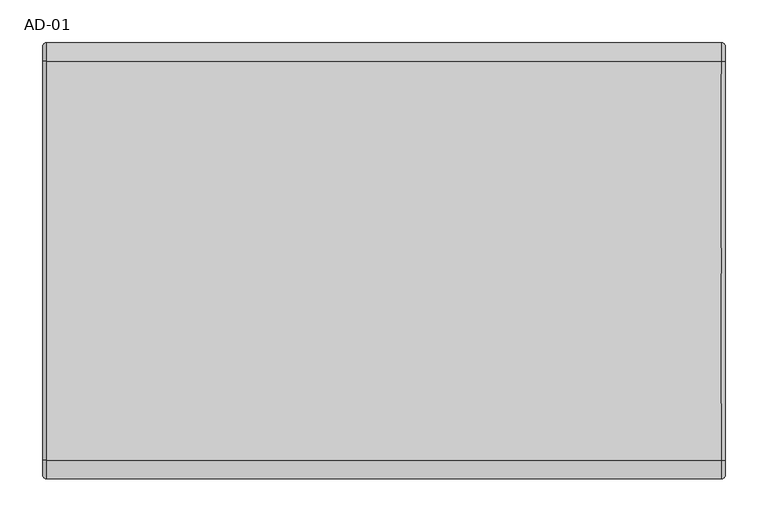
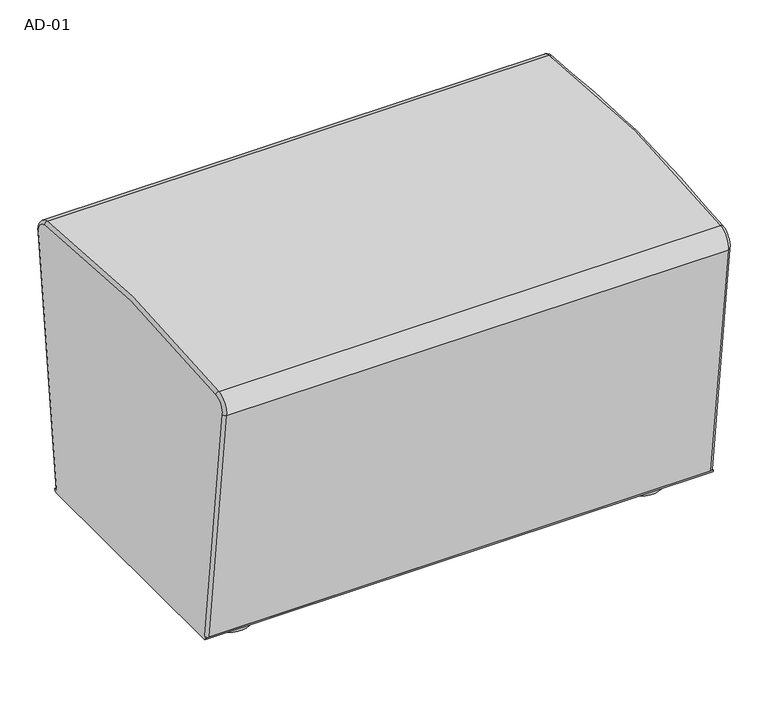
"""IFC4 building model written with IfcOpenShell, lengths in millimetres: furniture geometry, AD-01."""

from ifc_helpers import new_model, si_unit, point, frame, frame_2d, origin, origin_with_axes, place, context, project, spatial, circle_curve, ellipse_curve, trimmed, segment, composite_curve, outline, extrude, source, transform, mapped, element, save
from ifc_brep_helpers import plane_surface, cylinder_surface, revolved_surface, advanced_brep


def ad_01_1c7a543b(model_context):
    return source(origin(), model_context, "Body", "SolidModel", [
        advanced_brep(
        [(-400.0, 206.3750828, 34.3906528), (-400.0, 201.412352, 29.9999993), (-400.0, -200.5276094, 29.9999993), (-400.0, -206.4828863, 35.2687832), (-400.0, -201.5201556, 35.87813), (-400.0, -250.4781915, 434.6093051), (-400.0, -233.3810316, 456.8562047), (-400.0, 233.3810317, 456.8562047), (-400.0, 250.4781882, 434.6093065), (-400.0, 201.412352, 34.9999993), (400.0, -206.4828863, 35.2687832), (400.0, -200.5276094, 29.9999993), (400.0, 201.412352, 29.9999993), (400.0, 206.3750828, 34.3906528), (400.0, 201.412352, 34.9999993), (400.0, 250.4781882, 434.6093065), (400.0, 233.3810317, 456.8562047), (400.0, -233.3810318, 456.8562058), (400.0, -250.4781881, 434.6093055), (400.0, -201.5201556, 35.87813), (-395.0, 206.3750828, 34.3906528), (-395.0, 255.440919, 433.99996), (395.0, 255.440919, 433.99996), (395.0, 206.3750828, 34.3906528), (-395.0, 234.0694734, 461.8085827), (395.0, 234.0694734, 461.8085827), (-395.0, -234.0694734, 461.8085838), (395.0, -234.0694734, 461.8085838), (-395.0, -255.4409188, 433.9999588), (395.0, -255.4409188, 433.9999588), (-395.0, -206.4828863, 35.2687832), (395.0, -206.4828863, 35.2687832)],
        [
            (0, 1, circle_curve(frame((-400.0, 201.412352, 34.9999993), z_axis=(-1.0, 0.0, 0.0), x_axis=(0.0, -1.0, 0.0)), 5.0)),
            (1, 2),
            (2, 3, circle_curve(frame((-400.0, -200.5276094, 35.9999993), z_axis=(-1.0, 0.0, 0.0), x_axis=(0.0, -1.0, 0.0)), 6.0)),
            (3, 4),
            (4, 5),
            (5, 6, circle_curve(frame((-400.0, -230.6272651, 437.0466926), z_axis=(-1.0, 0.0, 0.0), x_axis=(0.0, -0.992546150542699, -0.12186935235271382)), 20.0)),
            (6, 7, circle_curve(frame((-400.0, -4.1e-06, -1221.9949917), z_axis=(-1.0, 0.0, 0.0), x_axis=(0.0, -0.13768832817489843, 0.9904756050930288)), 1694.9949992)),
            (7, 8, circle_curve(frame((-400.0, 230.6272651, 437.0466926), z_axis=(-1.0, 0.0, 0.0), x_axis=(0.0, 0.13768833294240157, 0.990475604430287)), 20.0)),
            (8, 9),
            (9, 0),
            (10, 11, circle_curve(frame((400.0, -200.5276094, 35.9999993), z_axis=(1.0, 0.0, 0.0), x_axis=(0.0, -1.0, 0.0)), 6.0)),
            (11, 12),
            (12, 13, circle_curve(frame((400.0, 201.412352, 34.9999993), z_axis=(1.0, 0.0, 0.0), x_axis=(0.0, -1.0, 0.0)), 5.0)),
            (13, 14),
            (14, 15),
            (15, 16, circle_curve(frame((400.0, 230.6272651, 437.0466926), z_axis=(1.0, 0.0, 0.0), x_axis=(0.0, 0.9925461567869625, -0.1218693014972616)), 20.0)),
            (16, 17, circle_curve(frame((400.0, -4.1e-06, -1221.9949917), z_axis=(1.0, 0.0, 0.0), x_axis=(0.0, 0.13768833294193644, 0.9904756044303517)), 1694.9949992)),
            (17, 18, circle_curve(frame((400.0, -230.6272651, 437.0466926), z_axis=(1.0, 0.0, 0.0), x_axis=(0.0, -0.1376883281748983, 0.9904756050930288)), 20.0)),
            (18, 19),
            (19, 10),
            (20, 21),
            (21, 22),
            (22, 23),
            (23, 20),
            (21, 24, circle_curve(frame((-395.0, 230.6272651, 437.0466926), z_axis=(1.0, 0.0, 0.0), x_axis=(0.0, -1.0, 0.0)), 25.0)),
            (24, 25),
            (25, 22, circle_curve(frame((395.0, 230.6272651, 437.0466926), z_axis=(-1.0, 0.0, 0.0), x_axis=(0.0, -1.0, 0.0)), 25.0)),
            (24, 26, circle_curve(frame((-395.0, -4.1e-06, -1221.9949917), z_axis=(1.0, 0.0, 0.0), x_axis=(0.0, -1.0, 0.0)), 1699.9949992)),
            (26, 27),
            (27, 25, circle_curve(frame((395.0, -4.1e-06, -1221.9949917), z_axis=(-1.0, 0.0, 0.0), x_axis=(0.0, -1.0, 0.0)), 1699.9949992)),
            (26, 28, circle_curve(frame((-395.0, -230.6272651, 437.0466926), z_axis=(1.0, 0.0, 0.0), x_axis=(0.0, 1.0, 0.0)), 25.0)),
            (28, 29),
            (29, 27, circle_curve(frame((395.0, -230.6272651, 437.0466926), z_axis=(-1.0, 0.0, 0.0), x_axis=(0.0, 1.0, 0.0)), 25.0)),
            (28, 30),
            (30, 31),
            (31, 29),
            (2, 11),
            (10, 31),
            (30, 3),
            (1, 12),
            (0, 20),
            (23, 13),
            (28, 5, circle_curve(frame((-395.0, -250.4781915, 434.6093051), z_axis=(0.0, 0.12186935235272628, -0.9925461505426976), x_axis=(0.0, -0.9925461505426976, -0.12186935235272628)), 5.0)),
            (4, 30, circle_curve(frame((-395.0, -201.5201556, 35.87813), z_axis=(0.0, -0.12186935235272628, 0.9925461505426976), x_axis=(0.0, -0.9925461505426976, -0.12186935235272628)), 5.0)),
            (26, 6, circle_curve(frame((-395.0, -233.3810316, 456.8562047), z_axis=(0.0, -0.9904756050930288, -0.13768832817489862), x_axis=(0.0, -0.13768832817489862, 0.9904756050930288)), 5.0)),
            (24, 7, circle_curve(frame((-395.0, 233.3810317, 456.8562047), z_axis=(0.0, -0.9904756044303525, 0.13768833294193053), x_axis=(0.0, 0.13768833294193053, 0.9904756044303525)), 5.0)),
            (21, 8, circle_curve(frame((-395.0, 250.4781882, 434.6093065), z_axis=(0.0, 0.12186930149726008, 0.9925461567869628), x_axis=(0.0, 0.9925461567869628, -0.12186930149726008)), 5.0)),
            (20, 9, circle_curve(frame((-395.0, 201.412352, 34.9999993), z_axis=(0.0, 0.1218693014972678, 0.9925461567869619), x_axis=(0.0, 0.9925461567869619, -0.1218693014972678)), 5.0)),
            (23, 14, circle_curve(frame((395.0, 201.412352, 34.9999993), z_axis=(0.0, -0.1218693014972677, -0.9925461567869618), x_axis=(1.0, 0.0, 0.0)), 5.0)),
            (22, 15, circle_curve(frame((395.0, 250.4781882, 434.6093065), z_axis=(0.0, -0.1218693014972677, -0.9925461567869618), x_axis=(1.0, 0.0, 0.0)), 5.0)),
            (25, 16, circle_curve(frame((395.0, 233.3810317, 456.8562047), z_axis=(0.0, 0.9904756044302307, -0.1376883329428058), x_axis=(1.0, 0.0, 0.0)), 5.0)),
            (27, 17, circle_curve(frame((395.0, -233.3810318, 456.8562058), z_axis=(0.0, 0.9904756050930288, 0.13768832817489843), x_axis=(1.0, 0.0, 0.0)), 5.0)),
            (29, 18, circle_curve(frame((395.0, -250.4781881, 434.6093055), z_axis=(0.0, -0.12186935235272664, 0.9925461505426973), x_axis=(1.0, 0.0, 0.0)), 5.0)),
            (19, 31, circle_curve(frame((395.0, -201.5201556, 35.87813), z_axis=(0.0, 0.12186935235272629, -0.9925461505426976), x_axis=(1.0, 0.0, 0.0)), 5.0)),
        ],
        [
            plane_surface(frame((-400.0, 255.440925, 434.0000094), z_axis=(-1.0, 0.0, 0.0), x_axis=(0.0, -0.12186930149726774, -0.9925461567869618))),
            plane_surface(frame((400.0, 255.440925, 434.0000094), z_axis=(1.0, 0.0, 0.0), x_axis=(0.0, 0.12186930149726774, 0.9925461567869618))),
            plane_surface(frame((400.0, 206.3750828, 34.3906528), z_axis=(0.0, 0.9925461567869618, -0.12186930149726774), x_axis=(-1.0, 0.0, 0.0))),
            cylinder_surface(frame((-400.0, 230.6272651, 437.0466926), z_axis=(1.0, 0.0, 0.0), x_axis=(0.0, -1.0, 0.0)), 25.0),
            cylinder_surface(frame((-400.0, -4.1e-06, -1221.9949917), z_axis=(1.0, 0.0, 0.0), x_axis=(0.0, -1.0, 0.0)), 1699.9949992),
            cylinder_surface(frame((-400.0, -230.6272651, 437.0466926), z_axis=(1.0, 0.0, 0.0), x_axis=(0.0, 1.0, 0.0)), 25.0),
            plane_surface(frame((400.0, -255.4409223, 433.9999583), z_axis=(0.0, -0.9925461505426975, -0.12186935235272627), x_axis=(-1.0, 0.0, 0.0))),
            cylinder_surface(frame((-400.0, -200.5276094, 35.9999993), z_axis=(1.0, 0.0, 0.0), x_axis=(0.0, -1.0, 0.0)), 6.0),
            plane_surface(frame((400.0, -200.5276094, 29.9999993), z_axis=(0.0, 0.0, -1.0), x_axis=(-1.0, 0.0, 0.0))),
            cylinder_surface(frame((-400.0, 201.412352, 34.9999993), z_axis=(1.0, 0.0, 0.0), x_axis=(0.0, -1.0, 0.0)), 5.0),
            cylinder_surface(frame((-395.0, -201.5201556, 35.87813), z_axis=(0.0, -0.12186935235272628, 0.9925461505426976), x_axis=(0.0, -0.9925461505426976, -0.12186935235272628)), 5.0),
            revolved_surface(trimmed(ellipse_curve(frame((-395.0, -250.4781881, 434.6093055), z_axis=(0.0, 0.1218693523527139, -0.992546150542699), x_axis=(0.0, -0.992546150542699, -0.1218693523527139)), 5.0, 5.0), [point((-395.0, -255.4409188, 433.9999588))], [point((-400.0, -250.4781881, 434.6093055))], True, "CARTESIAN"), (-400.0, -230.6272651, 437.0466926), (-1.0, 0.0, 0.0)),
            revolved_surface(trimmed(ellipse_curve(frame((-395.0, -233.3810318, 456.8562058), z_axis=(0.0, -0.9904756050930288, -0.13768832817489846), x_axis=(0.0, -0.13768832817489846, 0.9904756050930288)), 5.0, 5.0), [point((-395.0, -234.0694734, 461.8085838))], [point((-400.0, -233.3810318, 456.8562058))], True, "CARTESIAN"), (-400.0, -4.1e-06, -1221.9949917), (-1.0, 0.0, 0.0)),
            revolved_surface(trimmed(ellipse_curve(frame((-395.0, 233.3810317, 456.8562047), z_axis=(0.0, -0.990475604430287, 0.1376883329424016), x_axis=(0.0, 0.1376883329424016, 0.990475604430287)), 5.0, 5.0), [point((-395.0, 234.0694734, 461.8085827))], [point((-400.0, 233.3810317, 456.8562047))], True, "CARTESIAN"), (-400.0, 230.6272651, 437.0466926), (-1.0, 0.0, 0.0)),
            cylinder_surface(frame((-395.0, 250.4781882, 434.6093065), z_axis=(0.0, -0.1218693014972678, -0.9925461567869619), x_axis=(0.0, 0.9925461567869619, -0.1218693014972678)), 5.0),
            plane_surface(frame((-400.0, 206.3750828, 34.3906528), z_axis=(0.0, 0.12186930149726774, 0.9925461567869618), x_axis=(-1.0, 0.0, 0.0))),
            plane_surface(frame((-400.0, -206.4828863, 35.2687832), z_axis=(0.0, -0.12186935235272622, 0.9925461505426975), x_axis=(-1.0, 0.0, 0.0))),
            plane_surface(frame((400.0, 206.3750828, 34.3906528), z_axis=(0.0, 0.12186930149726775, 0.9925461567869618), x_axis=(1.0, 0.0, 0.0))),
            cylinder_surface(frame((395.0, 201.412352, 34.9999993), z_axis=(0.0, 0.1218693014972677, 0.9925461567869618), x_axis=(1.0, 0.0, 0.0)), 5.0),
            revolved_surface(trimmed(ellipse_curve(frame((395.0, 250.4781882, 434.6093065), z_axis=(0.0, -0.12186930149726156, -0.9925461567869625), x_axis=(1.0, 0.0, 0.0)), 5.0, 5.0), [point((395.0, 255.440919, 433.99996))], [point((400.0, 250.4781882, 434.6093065))], True, "CARTESIAN"), (400.0, 230.6272651, 437.0466926), (1.0, 0.0, 0.0)),
            revolved_surface(trimmed(ellipse_curve(frame((395.0, 233.3810317, 456.8562047), z_axis=(0.0, 0.9904756044303517, -0.13768833294193636), x_axis=(1.0, 0.0, 0.0)), 5.0, 5.0), [point((395.0, 234.0694734, 461.8085827))], [point((400.0, 233.3810317, 456.8562047))], True, "CARTESIAN"), (400.0, -4.1e-06, -1221.9949917), (1.0, 0.0, 0.0)),
            revolved_surface(trimmed(ellipse_curve(frame((395.0, -233.3810316, 456.8562047), z_axis=(0.0, 0.9904756050930288, 0.13768832817489834), x_axis=(1.0, 0.0, 0.0)), 5.0, 5.0), [point((395.0, -234.0694733, 461.8085827))], [point((400.0, -233.3810316, 456.8562047))], True, "CARTESIAN"), (400.0, -230.6272651, 437.0466926), (1.0, 0.0, 0.0)),
            plane_surface(frame((400.0, -206.4828863, 35.2687832), z_axis=(0.0, -0.1218693523527262, 0.9925461505426975), x_axis=(1.0, 0.0, 0.0))),
            cylinder_surface(frame((395.0, -250.4781915, 434.6093051), z_axis=(0.0, 0.12186935235272629, -0.9925461505426976), x_axis=(1.0, 0.0, 0.0)), 5.0),
        ],
        [
            (0, [[1, 2, 3, 4, 5, 6, 7, 8, 9, 10]]),
            (1, [[11, 12, 13, 14, 15, 16, 17, 18, 19, 20]]),
            (2, [[21, 22, 23, 24]]),
            (3, [[25, 26, 27, -22]]),
            (4, [[28, 29, 30, -26]]),
            (5, [[31, 32, 33, -29]]),
            (6, [[34, 35, 36, -32]]),
            (7, [[-3, 37, -11, 38, -35, 39]]),
            (8, [[-2, 40, -12, -37]]),
            (9, [[-1, 41, -24, 42, -13, -40]]),
            (10, [[43, -5, 44, -34]]),
            (11, [[-43, -31, 45, -6]]),
            (12, [[-45, -28, 46, -7]]),
            (13, [[-46, -25, 47, -8]]),
            (14, [[-47, -21, 48, -9]]),
            (15, [[-48, -41, -10]]),
            (16, [[-44, -4, -39]]),
            (17, [[49, -14, -42]]),
            (18, [[-49, -23, 50, -15]]),
            (19, [[-50, -27, 51, -16]]),
            (20, [[-51, -30, 52, -17]]),
            (21, [[-52, -33, 53, -18]]),
            (22, [[54, -38, -20]]),
            (23, [[-53, -36, -54, -19]]),
        ],
    ),
        extrude(outline(composite_curve([segment(trimmed(circle_curve(frame_2d((-324.9999949, 135.8359372)), 35.0), [point((-359.9999949, 135.8359372))], [point((-289.9999949, 135.8359372))], False, "CARTESIAN"), True, "CONTINUOUS"), segment(trimmed(circle_curve(frame_2d((-324.9999949, 135.8359372)), 35.0), [point((-289.9999949, 135.8359372))], [point((-359.9999949, 135.8359372))], False, "CARTESIAN"), True, "CONTINUOUS")], self_intersect=False)), origin_with_axes(), (0.0, 0.0, 1.0), 29.9999993),
        extrude(outline(composite_curve([segment(trimmed(circle_curve(frame_2d((324.9999949, 135.8359372)), 35.0), [point((359.9999949, 135.8359372))], [point((289.9999949, 135.8359372))], False, "CARTESIAN"), True, "CONTINUOUS"), segment(trimmed(circle_curve(frame_2d((324.9999949, 135.8359372)), 35.0), [point((289.9999949, 135.8359372))], [point((359.9999949, 135.8359372))], False, "CARTESIAN"), True, "CONTINUOUS")], self_intersect=False)), origin_with_axes(), (0.0, 0.0, 1.0), 29.9999993),
        extrude(outline(composite_curve([segment(trimmed(circle_curve(frame_2d((-324.9999949, -135.8359372)), 35.0), [point((-359.9999949, -135.8359372))], [point((-289.9999949, -135.8359372))], False, "CARTESIAN"), True, "CONTINUOUS"), segment(trimmed(circle_curve(frame_2d((-324.9999949, -135.8359372)), 35.0), [point((-289.9999949, -135.8359372))], [point((-359.9999949, -135.8359372))], False, "CARTESIAN"), True, "CONTINUOUS")], self_intersect=False)), origin_with_axes(), (0.0, 0.0, 1.0), 29.9999993),
        extrude(outline(composite_curve([segment(trimmed(circle_curve(frame_2d((324.9999949, -135.8359372)), 35.0), [point((359.9999949, -135.8359372))], [point((289.9999949, -135.8359372))], False, "CARTESIAN"), True, "CONTINUOUS"), segment(trimmed(circle_curve(frame_2d((324.9999949, -135.8359372)), 35.0), [point((289.9999949, -135.8359372))], [point((359.9999949, -135.8359372))], False, "CARTESIAN"), True, "CONTINUOUS")], self_intersect=False)), origin_with_axes(), (0.0, 0.0, 1.0), 29.9999993),
    ])


if __name__ == "__main__":
    model = new_model("IFC4")
    model_context = context("Model", 3, world=origin())
    ifc_project = project(units=[si_unit("LENGTHUNIT", "METRE", prefix="MILLI")], contexts=[model_context])
    site = spatial("IfcSite", under=ifc_project)
    building = spatial("IfcBuilding", under=site)
    placement = place(None, origin())
    ad_01_shape = ad_01_1c7a543b(model_context)
    element("IfcFurniture", 1, ObjectType="AD-01", at=placement, inside=building, context=model_context, shape_type="MappedRepresentation", body=[
        mapped(ad_01_shape, transform((0.0, 0.0, 0.0), x_axis=(1.0, 0.0, 0.0), y_axis=(0.0, 1.0, 0.0), z_axis=(0.0, 0.0, 1.0))),
    ])
    save(model, "model.ifc")
